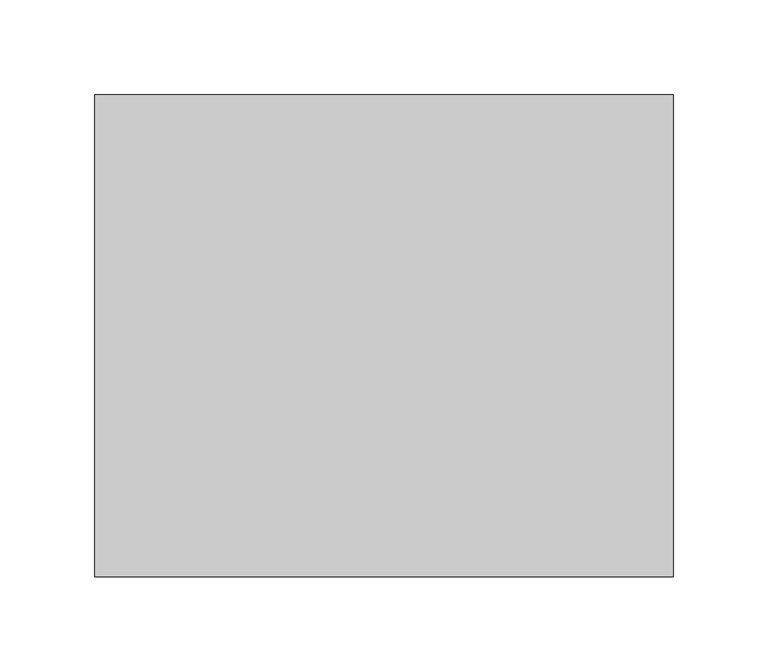
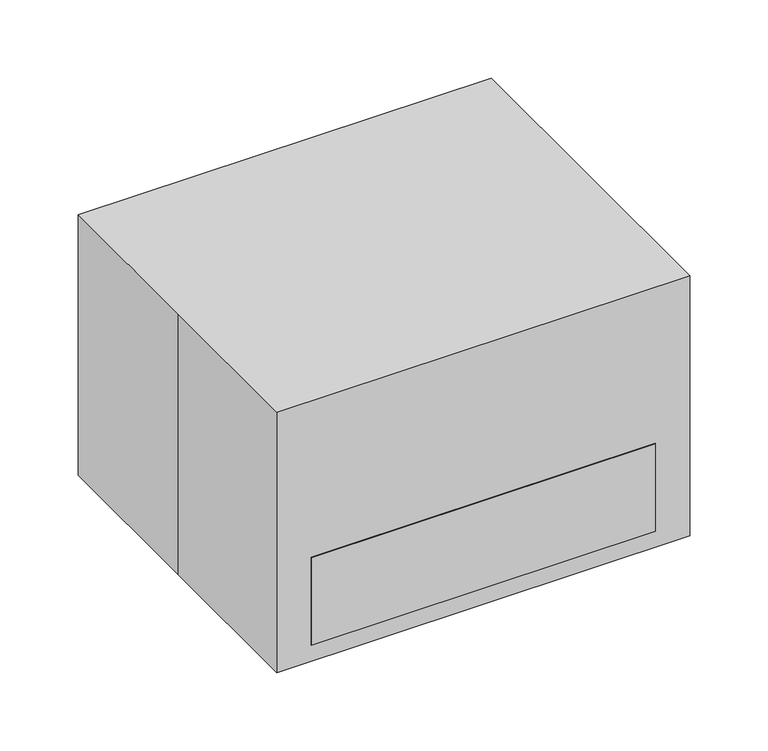
"""IFC4 building model written with IfcOpenShell, lengths in millimetres: proxy geometry."""

from ifc_helpers import new_model, si_unit, point, frame, frame_2d, origin, origin_with_axes, place, context, project, spatial, polyline, circle_curve, trimmed, segment, composite_curve, outline, extrude, source, transform, mapped, element, save


def specialty_equipment_caec2c54(model_context):
    return source(origin(), model_context, "Body", "SweptSolid", [
        extrude(outline(polyline([(-87.4226458, 111.6814346), (-91.9464939, 116.2052827), (-81.863601, 124.0829021), (-77.3397529, 119.5590539), (-87.4226458, 111.6814346)])), frame((73.2042554, 0.0, 0.0), z_axis=(1.0, 0.0, 0.0), x_axis=(0.0, 1.0, 0.0)), (0.0, 0.0, 1.0), 25.4),
        extrude(outline(polyline([(-87.4226458, 111.6814346), (-91.9464939, 116.2052827), (-81.863601, 124.0829021), (-77.3397529, 119.5590539), (-87.4226458, 111.6814346)])), frame((28.7542554, 0.0, 0.0), z_axis=(1.0, 0.0, 0.0), x_axis=(0.0, 1.0, 0.0)), (0.0, 0.0, 1.0), 25.4),
        extrude(outline(polyline([(-55.8617084, 136.3395413), (-60.3855565, 140.8633895), (-50.3026636, 148.7410088), (-45.7788155, 144.2171607), (-55.8617084, 136.3395413)])), frame((73.2042554, 0.0, 0.0), z_axis=(1.0, 0.0, 0.0), x_axis=(0.0, 1.0, 0.0)), (0.0, 0.0, 1.0), 25.4),
        extrude(outline(polyline([(-55.8617084, 136.3395413), (-60.3855565, 140.8633895), (-50.3026636, 148.7410088), (-45.7788155, 144.2171607), (-55.8617084, 136.3395413)])), frame((28.7542554, 0.0, 0.0), z_axis=(1.0, 0.0, 0.0), x_axis=(0.0, 1.0, 0.0)), (0.0, 0.0, 1.0), 25.4),
        extrude(outline(composite_curve([segment(polyline([(-33.7327088, 153.6286106), (-106.2128414, 97.0009248), (-101.9491245, 125.5940061)]), True, "CONTINUOUS"), segment(trimmed(circle_curve(frame_2d((-56.5346579, 118.8219332)), 45.9166064), [point((-101.9491245, 125.5940061))], [point((-42.712965, 162.6088667))], False, "CARTESIAN"), True, "CONTINUOUS"), segment(polyline([(-42.712965, 162.6088667), (-33.7327088, 153.6286106)]), True, "CONTINUOUS")], self_intersect=False)), frame((-101.6, 0.0, 0.0), z_axis=(1.0, 0.0, 0.0), x_axis=(0.0, 1.0, 0.0)), (0.0, 0.0, 1.0), 76.2),
        extrude(outline(polyline([(127.0, 12.7), (100.4754994, 12.7), (-127.0, 12.7), (-127.0, 80.7602166), (-19.05, 165.1), (127.0, 165.1), (127.0, 12.7)])), frame((-127.0, 0.0, 0.0), z_axis=(1.0, 0.0, 0.0), x_axis=(0.0, 1.0, 0.0)), (0.0, 0.0, 1.0), 254.0),
        extrude(outline(composite_curve([segment(trimmed(circle_curve(frame_2d((-89.7287569, -87.7754994)), 12.7), [point((-77.0287569, -87.7754994))], [point((-102.4287569, -87.7754994))], False, "CARTESIAN"), True, "CONTINUOUS"), segment(trimmed(circle_curve(frame_2d((-89.7287569, -87.7754994)), 12.7), [point((-102.4287569, -87.7754994))], [point((-77.0287569, -87.7754994))], False, "CARTESIAN"), True, "CONTINUOUS")], self_intersect=False)), origin_with_axes(), (0.0, 0.0, 1.0), 12.7),
        extrude(outline(composite_curve([segment(trimmed(circle_curve(frame_2d((-89.7287569, 87.7754994)), 12.7), [point((-77.0287569, 87.7754994))], [point((-102.4287569, 87.7754994))], False, "CARTESIAN"), True, "CONTINUOUS"), segment(trimmed(circle_curve(frame_2d((-89.7287569, 87.7754994)), 12.7), [point((-102.4287569, 87.7754994))], [point((-77.0287569, 87.7754994))], False, "CARTESIAN"), True, "CONTINUOUS")], self_intersect=False)), origin_with_axes(), (0.0, 0.0, 1.0), 12.7),
        extrude(outline(composite_curve([segment(trimmed(circle_curve(frame_2d((89.7287569, -87.7754994)), 12.7), [point((77.0287569, -87.7754994))], [point((102.4287569, -87.7754994))], False, "CARTESIAN"), True, "CONTINUOUS"), segment(trimmed(circle_curve(frame_2d((89.7287569, -87.7754994)), 12.7), [point((102.4287569, -87.7754994))], [point((77.0287569, -87.7754994))], False, "CARTESIAN"), True, "CONTINUOUS")], self_intersect=False)), origin_with_axes(), (0.0, 0.0, 1.0), 12.7),
        extrude(outline(composite_curve([segment(trimmed(circle_curve(frame_2d((89.7287569, 87.7754994)), 12.7), [point((77.0287569, 87.7754994))], [point((102.4287569, 87.7754994))], False, "CARTESIAN"), True, "CONTINUOUS"), segment(trimmed(circle_curve(frame_2d((89.7287569, 87.7754994)), 12.7), [point((102.4287569, 87.7754994))], [point((77.0287569, 87.7754994))], False, "CARTESIAN"), True, "CONTINUOUS")], self_intersect=False)), origin_with_axes(), (0.0, 0.0, 1.0), 12.7),
        extrude(outline(polyline([(-152.4, 127.0), (152.4, 127.0), (152.4, -127.0), (-152.4, -127.0), (-152.4, 0.0), (-152.4, 127.0)])), origin_with_axes(), (0.0, 0.0, 1.0), 203.2),
    ])


if __name__ == "__main__":
    model = new_model("IFC4")
    model_context = context("Model", 3, world=origin())
    ifc_project = project(units=[si_unit("LENGTHUNIT", "METRE", prefix="MILLI")], contexts=[model_context])
    site = spatial("IfcSite", under=ifc_project)
    building = spatial("IfcBuilding", under=site)
    placement = place(None, origin())
    specialty_equipment_shape = specialty_equipment_caec2c54(model_context)
    element("IfcBuildingElementProxy", 1, Name="Specialty Equipment", at=placement, inside=building, context=model_context, shape_type="MappedRepresentation", body=[
        mapped(specialty_equipment_shape, transform((0.0, 0.0, 0.0), x_axis=(1.0, 0.0, 0.0), y_axis=(0.0, 1.0, 0.0), z_axis=(0.0, 0.0, 1.0))),
    ])
    save(model, "model.ifc")
